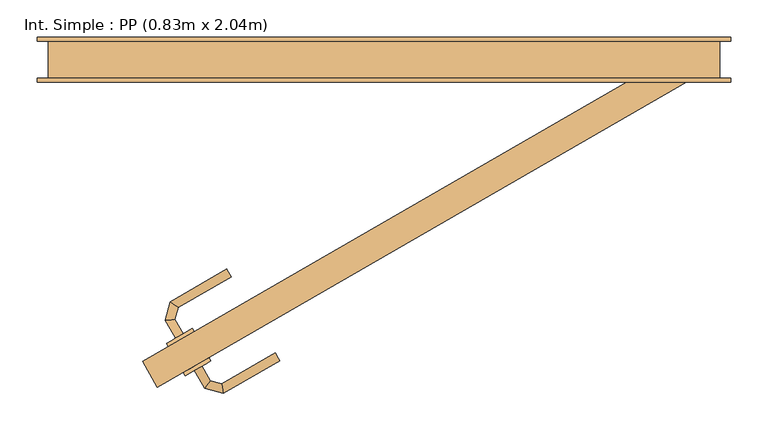
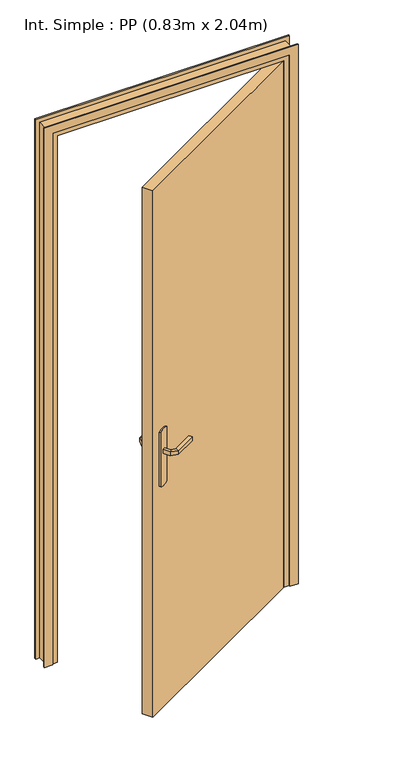
"""IFC4 building model written with IfcOpenShell, lengths in millimetres: door geometry, Int. Simple : PP (0.83m x 2.04m)."""

from ifc_helpers import new_model, si_unit, point, frame, frame_2d, origin, origin_with_axes, place, context, project, spatial, polyline, circle_curve, ellipse_curve, trimmed, segment, composite_curve, outline, extrude, faceted_brep, source, transform, mapped, element, save
from ifc_brep_helpers import plane_surface, cylinder_surface, advanced_brep


def int_simple_pp_0_83m_x_2_04m_b37f1f00(model_context):
    return source(origin(), model_context, "Body", "SolidModel", [
        extrude(outline(composite_curve([segment(trimmed(circle_curve(frame_2d((0.0, -40.0)), 40.0), [point((-34.6410162, -60.0))], [point((-34.6410162, -19.9999999))], False, "CARTESIAN"), True, "CONTINUOUS"), segment(polyline([(-34.6410162, -19.9999999), (175.3589838, -19.9999999)]), True, "CONTINUOUS"), segment(trimmed(circle_curve(frame_2d((140.7179676, -40.0)), 40.0), [point((175.3589838, -19.9999999))], [point((175.3589838, -60.0))], False, "CARTESIAN"), True, "CONTINUOUS"), segment(polyline([(175.3589838, -60.0), (-34.6410162, -60.0)]), True, "CONTINUOUS")], self_intersect=False)), frame((-249.6985448, -394.330127, 904.6410162), z_axis=(-0.5, 0.8660254037844387, 0.0), x_axis=(0.0, 0.0, 1.0)), (0.0, 0.0, 1.0), 5.0),
        extrude(outline(composite_curve([segment(trimmed(circle_curve(frame_2d((0.0, -40.0)), 40.0), [point((34.6410162, -19.9999999))], [point((34.6410162, -60.0))], False, "CARTESIAN"), True, "CONTINUOUS"), segment(polyline([(34.6410162, -60.0), (-175.3589838, -60.0)]), True, "CONTINUOUS"), segment(trimmed(circle_curve(frame_2d((-140.7179676, -40.0)), 40.0), [point((-175.3589838, -60.0))], [point((-175.3589838, -19.9999999))], False, "CARTESIAN"), True, "CONTINUOUS"), segment(polyline([(-175.3589838, -19.9999999), (34.6410162, -19.9999999)]), True, "CONTINUOUS")], self_intersect=False)), frame((-272.1985448, -355.3589838, 1045.3589838), z_axis=(-0.5, 0.8660254037844387, 0.0), x_axis=(0.0, 0.0, 1.0)), (0.0, 0.0, 1.0), 5.0),
        advanced_brep(
        [(-289.5357133, -417.330127, 1007.0), (-279.1434085, -411.330127, 1007.0), (-279.1434085, -411.330127, 993.0), (-289.5357133, -417.330127, 993.0), (-275.710238, -441.2765528, 1007.0), (-267.8032145, -430.9719192, 1007.0), (-267.8032145, -430.9719192, 993.0), (-275.710238, -441.2765528, 993.0), (-250.6065023, -448.0030785, 1007.0), (-252.3018687, -435.1254922, 1007.0), (-252.3018687, -435.1254922, 993.0), (-250.6065023, -448.0030785, 993.0), (-174.706797, -404.1823632, 1007.0), (-174.706797, -404.1823632, 993.0), (-180.706797, -393.7900583, 993.0), (-180.706797, -393.7900583, 1007.0)],
        [
            (0, 1, circle_curve(frame((-284.3395609, -414.330127, 986.9542278), z_axis=(-0.5000000000000028, 0.866025403784437, 0.0), x_axis=(0.866025403784437, 0.5000000000000028, 0.0)), 20.9244589)),
            (1, 2),
            (2, 3, circle_curve(frame((-284.3395609, -414.330127, 1013.0457722), z_axis=(-0.5000000000000028, 0.866025403784437, 0.0), x_axis=(0.866025403784437, 0.5000000000000028, 0.0)), 20.9244589)),
            (3, 0),
            (0, 4),
            (4, 5, ellipse_curve(frame((-271.7567263, -436.124236, 986.9542278), z_axis=(-0.7933533402912499, 0.6087614290087013, 0.0), x_axis=(0.6087614290087014, 0.7933533402912498, 0.0)), 22.6484711, 20.9244589)),
            (5, 1),
            (5, 6),
            (6, 2),
            (6, 7, ellipse_curve(frame((-271.7567263, -436.124236, 1013.0457722), z_axis=(-0.7933533402912499, 0.6087614290087013, 0.0), x_axis=(0.6087614290087014, 0.7933533402912498, 0.0)), 22.6484711, 20.9244589)),
            (7, 3),
            (7, 4),
            (4, 8),
            (8, 9, ellipse_curve(frame((-251.4541855, -441.5642854, 986.9542278), z_axis=(-0.9914448613738073, -0.13052619222007575, 0.0), x_axis=(-0.13052619222007555, 0.9914448613738074, 0.0)), 22.6484711, 20.9244589)),
            (9, 5),
            (9, 10),
            (10, 6),
            (10, 11, ellipse_curve(frame((-251.4541855, -441.5642854, 1013.0457722), z_axis=(-0.9914448613738073, -0.13052619222007575, 0.0), x_axis=(-0.13052619222007555, 0.9914448613738074, 0.0)), 22.6484711, 20.9244589)),
            (11, 7),
            (11, 8),
            (12, 13),
            (13, 14, circle_curve(frame((-177.706797, -398.9862107, 1013.0457722), z_axis=(0.8660254037844369, 0.500000000000003, 0.0), x_axis=(-0.500000000000003, 0.8660254037844369, 0.0)), 20.9244589)),
            (14, 15),
            (15, 12, circle_curve(frame((-177.706797, -398.9862107, 986.9542278), z_axis=(0.8660254037844369, 0.500000000000003, 0.0), x_axis=(-0.500000000000003, 0.8660254037844369, 0.0)), 20.9244589)),
            (8, 12),
            (15, 9),
            (14, 10),
            (13, 11),
        ],
        [
            plane_surface(frame((-292.3239206, -418.9398992, 1000.0), z_axis=(-0.5000000000000028, 0.866025403784437, 0.0), x_axis=(0.0, 0.0, -1.0))),
            cylinder_surface(frame((-284.3395609, -414.330127, 986.9542278), z_axis=(-0.5000000000000028, 0.866025403784437, 0.0), x_axis=(0.866025403784437, 0.5000000000000028, 0.0)), 20.9244589),
            plane_surface(frame((-279.1434085, -411.330127, 1007.0), z_axis=(0.866025403784437, 0.5000000000000028, 0.0), x_axis=(0.5000000000000028, -0.866025403784437, 0.0))),
            cylinder_surface(frame((-284.3395609, -414.330127, 1013.0457722), z_axis=(-0.5000000000000028, 0.866025403784437, 0.0), x_axis=(0.866025403784437, 0.5000000000000028, 0.0)), 20.9244589),
            plane_surface(frame((-289.5357133, -417.330127, 993.0), z_axis=(-0.866025403784437, -0.5000000000000028, 0.0), x_axis=(0.5000000000000028, -0.866025403784437, 0.0))),
            cylinder_surface(frame((-271.7567263, -436.124236, 986.9542278), z_axis=(-0.96592582628908, 0.25881904510247705, 0.0), x_axis=(0.25881904510247705, 0.96592582628908, 0.0)), 20.9244589),
            plane_surface(frame((-267.8032145, -430.9719192, 1007.0), z_axis=(0.258819045102477, 0.96592582628908, 0.0), x_axis=(0.96592582628908, -0.258819045102477, 0.0))),
            cylinder_surface(frame((-271.7567263, -436.124236, 1013.0457722), z_axis=(-0.96592582628908, 0.25881904510247705, 0.0), x_axis=(0.25881904510247705, 0.96592582628908, 0.0)), 20.9244589),
            plane_surface(frame((-275.710238, -441.2765528, 993.0), z_axis=(-0.258819045102477, -0.96592582628908, 0.0), x_axis=(0.96592582628908, -0.258819045102477, 0.0))),
            plane_surface(frame((-177.706797, -398.9862107, 990.7804555), z_axis=(0.866025403784437, 0.5000000000000028, 0.0), x_axis=(-0.5000000000000028, 0.866025403784437, 0.0))),
            cylinder_surface(frame((-251.4541855, -441.5642854, 986.9542278), z_axis=(-0.8660254037844369, -0.500000000000003, 0.0), x_axis=(-0.500000000000003, 0.8660254037844369, 0.0)), 20.9244589),
            plane_surface(frame((-252.3018687, -435.1254922, 1007.0), z_axis=(-0.5000000000000028, 0.866025403784437, 0.0), x_axis=(0.866025403784437, 0.5000000000000028, 0.0))),
            cylinder_surface(frame((-251.4541855, -441.5642854, 1013.0457722), z_axis=(-0.8660254037844369, -0.500000000000003, 0.0), x_axis=(-0.500000000000003, 0.8660254037844369, 0.0)), 20.9244589),
            plane_surface(frame((-250.6065023, -448.0030785, 993.0), z_axis=(0.5000000000000028, -0.866025403784437, 0.0), x_axis=(0.866025403784437, 0.5000000000000028, 0.0))),
        ],
        [
            (0, [[1, 2, 3, 4]]),
            (1, [[-1, 5, 6, 7]]),
            (2, [[-2, -7, 8, 9]]),
            (3, [[-3, -9, 10, 11]]),
            (4, [[-4, -11, 12, -5]]),
            (5, [[-6, 13, 14, 15]]),
            (6, [[-8, -15, 16, 17]]),
            (7, [[-10, -17, 18, 19]]),
            (8, [[-12, -19, 20, -13]]),
            (9, [[21, 22, 23, 24]]),
            (10, [[-14, 25, -24, 26]]),
            (11, [[-16, -26, -23, 27]]),
            (12, [[-18, -27, -22, 28]]),
            (13, [[-20, -28, -21, -25]]),
        ],
    ),
        advanced_brep(
        [(-304.1434085, -368.0288568, 993.0), (-304.1434085, -368.0288568, 1007.0), (-314.5357133, -374.0288568, 1007.0), (-314.5357133, -374.0288568, 993.0), (-315.3860107, -348.5560985, 993.0), (-315.3860107, -348.5560985, 1007.0), (-328.263597, -350.2514649, 1007.0), (-328.263597, -350.2514649, 993.0), (-311.182106, -332.8669124, 993.0), (-311.182106, -332.8669124, 1007.0), (-321.4867396, -324.9598889, 1007.0), (-321.4867396, -324.9598889, 993.0), (-239.6826137, -291.5866612, 993.0), (-245.6826137, -281.1943564, 993.0), (-245.6826137, -281.1943564, 1007.0), (-239.6826137, -291.5866612, 1007.0)],
        [
            (0, 1),
            (1, 2, circle_curve(frame((-309.3395609, -371.0288568, 986.9542278), z_axis=(0.5000000000000028, -0.866025403784437, 0.0), x_axis=(-0.866025403784437, -0.5000000000000028, 0.0)), 20.9244589)),
            (2, 3),
            (3, 0, circle_curve(frame((-309.3395609, -371.0288568, 1013.0457722), z_axis=(0.5000000000000028, -0.866025403784437, 0.0), x_axis=(-0.866025403784437, -0.5000000000000028, 0.0)), 20.9244589)),
            (0, 4),
            (4, 5),
            (5, 1),
            (5, 6, ellipse_curve(frame((-321.8248039, -349.4037817, 986.9542278), z_axis=(0.13052619222003425, -0.9914448613738126, 0.0), x_axis=(0.9914448613738128, 0.13052619222003373, 0.0)), 22.6484711, 20.9244589)),
            (6, 2),
            (6, 7),
            (7, 3),
            (7, 4, ellipse_curve(frame((-321.8248039, -349.4037817, 1013.0457722), z_axis=(0.13052619222003425, -0.9914448613738126, 0.0), x_axis=(0.9914448613738128, 0.13052619222003373, 0.0)), 22.6484711, 20.9244589)),
            (4, 8),
            (8, 9),
            (9, 5),
            (9, 10, ellipse_curve(frame((-316.3344228, -328.9134007, 986.9542278), z_axis=(-0.6087614290087345, -0.7933533402912245, 0.0), x_axis=(0.7933533402912246, -0.6087614290087342, 0.0)), 22.6484711, 20.9244589)),
            (10, 6),
            (10, 11),
            (11, 7),
            (11, 8, ellipse_curve(frame((-316.3344228, -328.9134007, 1013.0457722), z_axis=(-0.6087614290087345, -0.7933533402912245, 0.0), x_axis=(0.7933533402912246, -0.6087614290087342, 0.0)), 22.6484711, 20.9244589)),
            (12, 13, circle_curve(frame((-242.6826137, -286.3905088, 1013.0457722), z_axis=(0.866025403784437, 0.5000000000000028, 0.0), x_axis=(-0.5000000000000028, 0.866025403784437, 0.0)), 20.9244589)),
            (13, 14),
            (14, 15, circle_curve(frame((-242.6826137, -286.3905088, 986.9542278), z_axis=(0.866025403784437, 0.5000000000000028, 0.0), x_axis=(-0.5000000000000028, 0.866025403784437, 0.0)), 20.9244589)),
            (15, 12),
            (8, 12),
            (15, 9),
            (14, 10),
            (13, 11),
        ],
        [
            plane_surface(frame((-317.3239206, -375.6386291, 1000.0), z_axis=(0.5000000000000028, -0.866025403784437, 0.0), x_axis=(0.0, 0.0, 1.0))),
            plane_surface(frame((-304.1434085, -368.0288568, 993.0), z_axis=(0.866025403784437, 0.5000000000000028, 0.0), x_axis=(-0.5000000000000028, 0.866025403784437, 0.0))),
            cylinder_surface(frame((-309.3395609, -371.0288568, 986.9542278), z_axis=(0.5000000000000028, -0.866025403784437, 0.0), x_axis=(-0.866025403784437, -0.5000000000000028, 0.0)), 20.9244589),
            plane_surface(frame((-314.5357133, -374.0288568, 1007.0), z_axis=(-0.866025403784437, -0.5000000000000028, 0.0), x_axis=(-0.5000000000000028, 0.866025403784437, 0.0))),
            cylinder_surface(frame((-309.3395609, -371.0288568, 1013.0457722), z_axis=(0.5000000000000028, -0.866025403784437, 0.0), x_axis=(-0.866025403784437, -0.5000000000000028, 0.0)), 20.9244589),
            plane_surface(frame((-315.3860107, -348.5560985, 993.0), z_axis=(0.9659258262890584, -0.2588190451025576, 0.0), x_axis=(0.2588190451025576, 0.9659258262890584, 0.0))),
            cylinder_surface(frame((-321.8248039, -349.4037817, 986.9542278), z_axis=(-0.2588190451025576, -0.9659258262890584, 0.0), x_axis=(-0.9659258262890584, 0.2588190451025576, 0.0)), 20.9244589),
            plane_surface(frame((-328.263597, -350.2514649, 1007.0), z_axis=(-0.9659258262890584, 0.25881904510255754, 0.0), x_axis=(0.25881904510255754, 0.9659258262890584, 0.0))),
            cylinder_surface(frame((-321.8248039, -349.4037817, 1013.0457722), z_axis=(-0.2588190451025576, -0.9659258262890584, 0.0), x_axis=(-0.9659258262890584, 0.2588190451025576, 0.0)), 20.9244589),
            plane_surface(frame((-242.6826137, -286.3905088, 990.7804555), z_axis=(0.866025403784437, 0.5000000000000028, 0.0), x_axis=(-0.5000000000000028, 0.866025403784437, 0.0))),
            plane_surface(frame((-311.182106, -332.8669124, 993.0), z_axis=(0.5000000000000028, -0.866025403784437, 0.0), x_axis=(0.866025403784437, 0.5000000000000028, 0.0))),
            cylinder_surface(frame((-316.3344228, -328.9134007, 986.9542278), z_axis=(-0.866025403784437, -0.5000000000000028, 0.0), x_axis=(-0.5000000000000028, 0.866025403784437, 0.0)), 20.9244589),
            plane_surface(frame((-321.4867396, -324.9598889, 1007.0), z_axis=(-0.5000000000000028, 0.866025403784437, 0.0), x_axis=(0.866025403784437, 0.5000000000000028, 0.0))),
            cylinder_surface(frame((-316.3344228, -328.9134007, 1013.0457722), z_axis=(-0.866025403784437, -0.5000000000000028, 0.0), x_axis=(-0.5000000000000028, 0.866025403784437, 0.0)), 20.9244589),
        ],
        [
            (0, [[1, 2, 3, 4]]),
            (1, [[-1, 5, 6, 7]]),
            (2, [[-2, -7, 8, 9]]),
            (3, [[-3, -9, 10, 11]]),
            (4, [[-4, -11, 12, -5]]),
            (5, [[-6, 13, 14, 15]]),
            (6, [[-8, -15, 16, 17]]),
            (7, [[-10, -17, 18, 19]]),
            (8, [[-12, -19, 20, -13]]),
            (9, [[21, 22, 23, 24]]),
            (10, [[-14, 25, -24, 26]]),
            (11, [[-16, -26, -23, 27]]),
            (12, [[-18, -27, -22, 28]]),
            (13, [[-20, -28, -21, -25]]),
        ],
    ),
        extrude(outline(polyline([(-358.8010851, -405.3589838), (360.0, 9.6410162), (380.0, -25.0), (-338.8010851, -440.0), (-358.8010851, -405.3589838)])), origin_with_axes(), (0.0, 0.0, 1.0), 2040.0),
        faceted_brep([(-485.0, -25.0, 0.0), (-485.0, 25.0, 0.0), (-435.0, 25.0, 0.0), (-435.0, 15.0, 0.0), (-450.0, 15.0, 0.0), (-450.0, -25.0, 0.0), (-485.0, -25.0, 2075.0), (-485.0, 25.0, 2075.0), (415.0, 25.0, 2075.0), (415.0, 25.0, 0.0), (365.0, 25.0, 0.0), (365.0, 25.0, 2025.0), (-435.0, 25.0, 2025.0), (-435.0, 15.0, 2025.0), (365.0, 15.0, 2025.0), (365.0, 15.0, 0.0), (380.0, 15.0, 0.0), (380.0, 15.0, 2040.0), (-450.0, 15.0, 2040.0), (-450.0, -25.0, 2040.0), (380.0, -25.0, 2040.0), (380.0, -25.0, 0.0), (415.0, -25.0, 0.0), (415.0, -25.0, 2075.0)], [[[0, 1, 2, 3, 4, 5]], [[1, 0, 6, 7]], [[2, 1, 7, 8, 9, 10, 11, 12]], [[3, 2, 12, 13]], [[4, 3, 13, 14, 15, 16, 17, 18]], [[5, 4, 18, 19]], [[0, 5, 19, 20, 21, 22, 23, 6]], [[8, 23, 22, 9]], [[22, 21, 16, 15, 10, 9]], [[14, 11, 10, 15]], [[20, 17, 16, 21]], [[7, 6, 23, 8]], [[13, 12, 11, 14]], [[19, 18, 17, 20]]]),
        extrude(outline(polyline([(0.0, -500.0), (0.0, -470.0), (2060.0, -470.0), (2060.0, 400.0), (0.0, 400.0), (0.0, 430.0), (2090.0, 430.0), (2090.0, -500.0), (0.0, -500.0)])), frame((0.0, -30.0, 0.0), z_axis=(0.0, 1.0, 0.0), x_axis=(0.0, 0.0, 1.0)), (0.0, 0.0, 1.0), 5.0),
        extrude(outline(polyline([(0.0, -500.0), (0.0, -470.0), (2060.0, -470.0), (2060.0, 400.0), (0.0, 400.0), (0.0, 430.0), (2090.0, 430.0), (2090.0, -500.0), (0.0, -500.0)])), frame((0.0, 25.0, 0.0), z_axis=(0.0, 1.0, 0.0), x_axis=(0.0, 0.0, 1.0)), (0.0, 0.0, 1.0), 5.0),
    ])


if __name__ == "__main__":
    model = new_model("IFC4")
    model_context = context("Model", 3, world=origin())
    ifc_project = project(units=[si_unit("LENGTHUNIT", "METRE", prefix="MILLI")], contexts=[model_context])
    site = spatial("IfcSite", under=ifc_project)
    building = spatial("IfcBuilding", under=site)
    placement = place(None, origin())
    int_simple_pp_0_83m_x_2_04m_shape = int_simple_pp_0_83m_x_2_04m_b37f1f00(model_context)
    element("IfcDoor", 1, ObjectType="Int. Simple : PP (0.83m x 2.04m)", at=placement, inside=building, context=model_context, shape_type="MappedRepresentation", body=[
        mapped(int_simple_pp_0_83m_x_2_04m_shape, transform((0.0, 0.0, 0.0), x_axis=(1.0, 0.0, 0.0), y_axis=(0.0, 1.0, 0.0), z_axis=(0.0, 0.0, 1.0))),
    ])
    save(model, "model.ifc")
